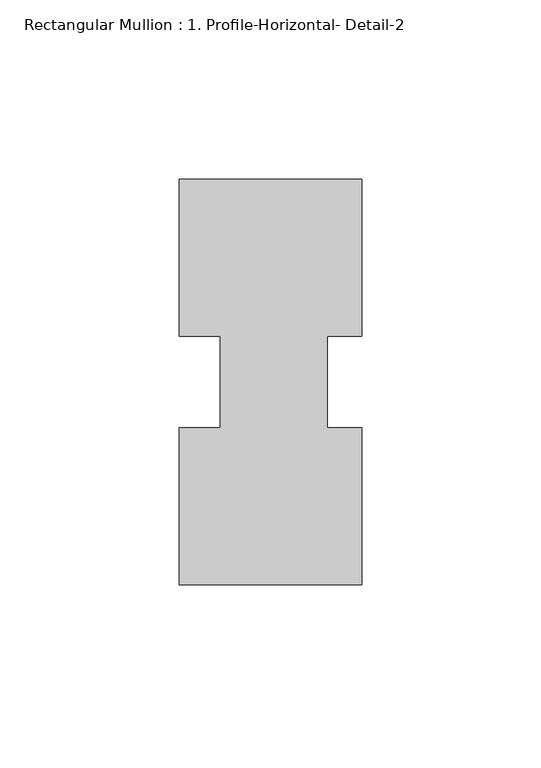
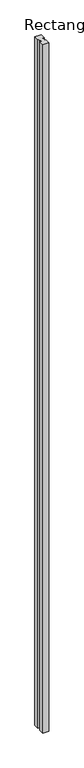
"""IFC4 building model written with IfcOpenShell, lengths in millimetres: member geometry, Rectangular Mullion : 1. Profile-Horizontal- Detail-2."""

from ifc_helpers import new_model, si_unit, frame, origin, place, context, project, spatial, polyline, outline, extrude, source, transform, mapped, element, save


def rectangular_mullion_1_profile_horizontal_detail_2_c49384c8(model_context):
    return source(origin(), model_context, "Body", "SweptSolid", [
        extrude(outline(polyline([(24.4527147, 12.7295207), (14.9404146, 12.7295207), (14.9404146, -12.7581776), (24.4527147, -12.7581776), (24.4527147, -56.5435115), (-26.3472853, -56.5435115), (-26.3472853, -12.7581776), (-14.9939298, -12.7581776), (-14.9939298, 12.7295207), (-26.3282353, 12.7295207), (-26.3282353, 56.5372885), (24.4527147, 56.5372885), (24.4527147, 12.7295207)])), frame((0.0, 0.0, -6000.75), z_axis=(0.0, 0.0, 1.0), x_axis=(1.0, 0.0, 0.0)), (0.0, 0.0, 1.0), 6000.75),
    ])


if __name__ == "__main__":
    model = new_model("IFC4")
    model_context = context("Model", 3, world=origin())
    ifc_project = project(units=[si_unit("LENGTHUNIT", "METRE", prefix="MILLI")], contexts=[model_context])
    site = spatial("IfcSite", under=ifc_project)
    building = spatial("IfcBuilding", under=site)
    placement = place(None, origin())
    rectangular_mullion_1_profile_horizontal_detail_2_shape = rectangular_mullion_1_profile_horizontal_detail_2_c49384c8(model_context)
    element("IfcMember", 1, ObjectType="Rectangular Mullion : 1. Profile-Horizontal- Detail-2", at=placement, inside=building, context=model_context, shape_type="MappedRepresentation", body=[
        mapped(rectangular_mullion_1_profile_horizontal_detail_2_shape, transform((0.0, 0.0, 0.0), x_axis=(1.0, 0.0, 0.0), y_axis=(0.0, 1.0, 0.0), z_axis=(0.0, 0.0, 1.0))),
    ])
    save(model, "model.ifc")
